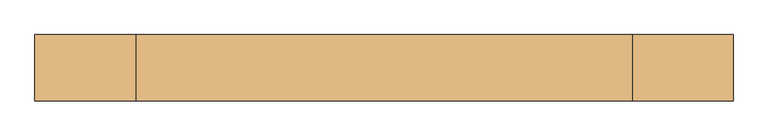
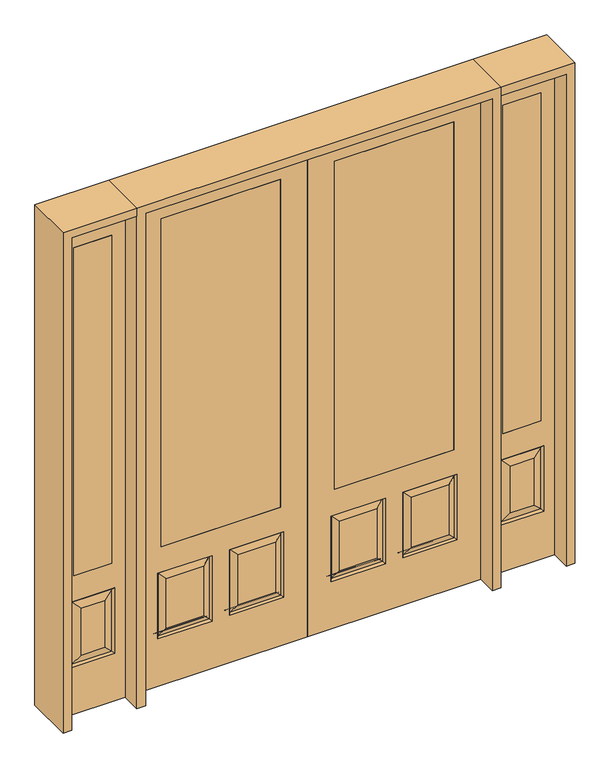
"""IFC4 building model written with IfcOpenShell, lengths in millimetres: door geometry."""

from ifc_helpers import new_model, si_unit, frame, origin, place, context, project, spatial, polyline, outline, extrude, faceted_brep, source, transform, mapped, element, save


def door_9254beb1(model_context):
    return source(origin(), model_context, "Body", "SolidModel", [
        extrude(outline(polyline([(1095.375, 20.6375), (1095.375, -20.6375), (917.575, -20.6375), (917.575, 20.6375), (1095.375, 20.6375)])), frame((0.0, 0.0, 685.8), z_axis=(0.0, 0.0, 1.0), x_axis=(1.0, 0.0, 0.0)), (0.0, 0.0, 1.0), 1625.6),
        faceted_brep([(854.075, -20.6375, 0.0), (1158.875, -20.6375, 0.0), (1158.875, -20.6375, 2438.4), (854.075, -20.6375, 2438.4), (917.575, -20.6375, 685.8), (917.575, -20.6375, 2311.4), (1095.375, -20.6375, 2311.4), (1095.375, -20.6375, 685.8), (904.875, -20.6375, 234.95), (904.875, -20.6375, 558.8), (1108.075, -20.6375, 558.8), (1108.075, -20.6375, 234.95), (1062.0375, -20.6375, 280.9875), (1062.0375, -20.6375, 512.7625), (950.9125, -20.6375, 512.7625), (950.9125, -20.6375, 280.9875), (1095.375, 20.6375, 2311.4), (1095.375, 20.6375, 685.8), (854.075, 20.6375, 0.0), (854.075, 20.6375, 2438.4), (1158.875, 20.6375, 2438.4), (1158.875, 20.6375, 0.0), (1108.075, 20.6375, 234.95), (1108.075, 20.6375, 558.8), (904.875, 20.6375, 558.8), (904.875, 20.6375, 234.95), (917.575, 20.6375, 2311.4), (917.575, 20.6375, 685.8), (950.9125, 20.6375, 280.9875), (950.9125, 20.6375, 512.7625), (1062.0375, 20.6375, 512.7625), (1062.0375, 20.6375, 280.9875), (913.8552561, -11.6572439, 549.8197439), (1099.0947439, -11.6572439, 549.8197439), (1099.0947439, 11.6572439, 243.9302561), (913.8552561, 11.6572439, 243.9302561), (913.8552561, 11.6572439, 549.8197439), (1099.0947439, 11.6572439, 549.8197439), (1099.0947439, -11.6572439, 243.9302561), (913.8552561, -11.6572439, 243.9302561)], [[[0, 1, 2, 3], [4, 5, 6, 7], [8, 9, 10, 11]], [[12, 13, 14, 15]], [[7, 6, 16, 17]], [[18, 19, 20, 21], [22, 23, 24, 25], [17, 16, 26, 27]], [[28, 29, 30, 31]], [[32, 33, 10, 9]], [[21, 1, 0, 18]], [[20, 2, 1, 21]], [[18, 0, 3, 19]], [[34, 22, 25, 35]], [[25, 24, 36, 35]], [[24, 23, 37, 36]], [[34, 37, 23, 22]], [[35, 28, 31, 34]], [[31, 30, 37, 34]], [[36, 37, 30, 29]], [[35, 36, 29, 28]], [[17, 27, 4, 7]], [[27, 26, 5, 4]], [[8, 11, 38, 39]], [[11, 10, 33, 38]], [[39, 32, 9, 8]], [[38, 12, 15, 39]], [[15, 14, 32, 39]], [[14, 13, 33, 32]], [[38, 33, 13, 12]], [[19, 3, 2, 20]], [[6, 5, 26, 16]]]),
        extrude(outline(polyline([(-917.575, 20.6375), (-917.575, -20.6375), (-1095.375, -20.6375), (-1095.375, 20.6375), (-917.575, 20.6375)])), frame((0.0, 0.0, 685.8), z_axis=(0.0, 0.0, 1.0), x_axis=(1.0, 0.0, 0.0)), (0.0, 0.0, 1.0), 1625.6),
        faceted_brep([(-1158.875, -20.6375, 0.0), (-854.075, -20.6375, 0.0), (-854.075, -20.6375, 2438.4), (-1158.875, -20.6375, 2438.4), (-1095.375, -20.6375, 685.8), (-1095.375, -20.6375, 2311.4), (-917.575, -20.6375, 2311.4), (-917.575, -20.6375, 685.8), (-1108.075, -20.6375, 234.95), (-1108.075, -20.6375, 558.8), (-904.875, -20.6375, 558.8), (-904.875, -20.6375, 234.95), (-950.9125, -20.6375, 280.9875), (-950.9125, -20.6375, 512.7625), (-1062.0375, -20.6375, 512.7625), (-1062.0375, -20.6375, 280.9875), (-917.575, 20.6375, 2311.4), (-917.575, 20.6375, 685.8), (-1158.875, 20.6375, 0.0), (-1158.875, 20.6375, 2438.4), (-854.075, 20.6375, 2438.4), (-854.075, 20.6375, 0.0), (-904.875, 20.6375, 234.95), (-904.875, 20.6375, 558.8), (-1108.075, 20.6375, 558.8), (-1108.075, 20.6375, 234.95), (-1095.375, 20.6375, 2311.4), (-1095.375, 20.6375, 685.8), (-1062.0375, 20.6375, 280.9875), (-1062.0375, 20.6375, 512.7625), (-950.9125, 20.6375, 512.7625), (-950.9125, 20.6375, 280.9875), (-1099.0947439, -11.6572439, 549.8197439), (-913.8552561, -11.6572439, 549.8197439), (-913.8552561, 11.6572439, 243.9302561), (-1099.0947439, 11.6572439, 243.9302561), (-1099.0947439, 11.6572439, 549.8197439), (-913.8552561, 11.6572439, 549.8197439), (-913.8552561, -11.6572439, 243.9302561), (-1099.0947439, -11.6572439, 243.9302561)], [[[0, 1, 2, 3], [4, 5, 6, 7], [8, 9, 10, 11]], [[12, 13, 14, 15]], [[7, 6, 16, 17]], [[18, 19, 20, 21], [22, 23, 24, 25], [17, 16, 26, 27]], [[28, 29, 30, 31]], [[32, 33, 10, 9]], [[21, 1, 0, 18]], [[20, 2, 1, 21]], [[18, 0, 3, 19]], [[34, 22, 25, 35]], [[25, 24, 36, 35]], [[24, 23, 37, 36]], [[34, 37, 23, 22]], [[35, 28, 31, 34]], [[31, 30, 37, 34]], [[36, 37, 30, 29]], [[35, 36, 29, 28]], [[17, 27, 4, 7]], [[27, 26, 5, 4]], [[8, 11, 38, 39]], [[11, 10, 33, 38]], [[39, 32, 9, 8]], [[38, 12, 15, 39]], [[15, 14, 32, 39]], [[14, 13, 33, 32]], [[38, 33, 13, 12]], [[19, 3, 2, 20]], [[6, 5, 26, 16]]]),
        faceted_brep([(127.0, -20.6375, 685.8), (127.0, 20.6375, 685.8), (127.0, 20.6375, 2311.4), (127.0, -20.6375, 2311.4), (685.8, -20.6375, 685.8), (685.8, 20.6375, 685.8), (486.5727627, -20.6375, 273.8477627), (662.7772373, -20.6375, 273.8477627), (662.7772373, -20.6375, 520.4102373), (486.5727627, -20.6375, 520.4102373), (150.0227627, -20.6375, 273.8477627), (326.2272373, -20.6375, 273.8477627), (326.2272373, -20.6375, 520.4102373), (150.0227627, -20.6375, 520.4102373), (812.8, -20.6375, 2438.4), (0.0, -20.6375, 2438.4), (0.0, -20.6375, 0.0), (812.8, -20.6375, 0.0), (685.8, -20.6375, 2311.4), (701.675, -20.6375, 234.95), (447.675, -20.6375, 234.95), (447.675, -20.6375, 559.308), (701.675, -20.6375, 559.308), (365.125, -20.6375, 234.95), (111.125, -20.6375, 234.95), (111.125, -20.6375, 559.308), (365.125, -20.6375, 559.308), (685.8, 20.6375, 2311.4), (326.2272373, 20.6375, 273.8477627), (150.0227627, 20.6375, 273.8477627), (150.0227627, 20.6375, 520.4102373), (326.2272373, 20.6375, 520.4102373), (662.7772373, 20.6375, 273.8477627), (486.5727627, 20.6375, 273.8477627), (486.5727627, 20.6375, 520.4102373), (662.7772373, 20.6375, 520.4102373), (0.0, 20.6375, 2438.4), (812.8, 20.6375, 2438.4), (812.8, 20.6375, 0.0), (0.0, 20.6375, 0.0), (111.125, 20.6375, 234.95), (365.125, 20.6375, 234.95), (365.125, 20.6375, 559.308), (111.125, 20.6375, 559.308), (447.675, 20.6375, 234.95), (701.675, 20.6375, 234.95), (701.675, 20.6375, 559.308), (447.675, 20.6375, 559.308), (694.2714647, -11.4399763, 242.3535353), (455.0785353, -11.4399763, 242.3535353), (455.0785353, -11.4399763, 551.9044647), (694.2714647, -11.4399763, 551.9044647), (357.7214647, -11.4399763, 242.3535353), (118.5285353, -11.4399763, 242.3535353), (118.5285353, -11.4399763, 551.9044647), (357.7214647, -11.4399763, 551.9044647), (118.5285353, 11.4399763, 242.3535353), (357.7214647, 11.4399763, 242.3535353), (357.7214647, 11.4399763, 551.9044647), (118.5285353, 11.4399763, 551.9044647), (455.0785353, 11.4399763, 242.3535353), (694.2714647, 11.4399763, 242.3535353), (694.2714647, 11.4399763, 551.9044647), (455.0785353, 11.4399763, 551.9044647)], [[[0, 1, 2, 3]], [[1, 0, 4, 5]], [[6, 7, 8, 9]], [[10, 11, 12, 13]], [[14, 15, 16, 17], [4, 0, 3, 18], [19, 20, 21, 22], [23, 24, 25, 26]], [[5, 4, 18, 27]], [[28, 29, 30, 31]], [[32, 33, 34, 35]], [[36, 37, 38, 39], [1, 5, 27, 2], [40, 41, 42, 43], [44, 45, 46, 47]], [[39, 38, 17, 16]], [[37, 14, 17, 38]], [[15, 36, 39, 16]], [[19, 48, 49, 20]], [[20, 49, 50, 21]], [[51, 22, 21, 50]], [[48, 19, 22, 51]], [[49, 48, 7, 6]], [[7, 48, 51, 8]], [[8, 51, 50, 9]], [[49, 6, 9, 50]], [[52, 53, 24, 23]], [[24, 53, 54, 25]], [[25, 54, 55, 26]], [[52, 23, 26, 55]], [[53, 52, 11, 10]], [[11, 52, 55, 12]], [[54, 13, 12, 55]], [[53, 10, 13, 54]], [[40, 56, 57, 41]], [[41, 57, 58, 42]], [[59, 43, 42, 58]], [[56, 40, 43, 59]], [[57, 56, 29, 28]], [[29, 56, 59, 30]], [[30, 59, 58, 31]], [[57, 28, 31, 58]], [[60, 61, 45, 44]], [[45, 61, 62, 46]], [[46, 62, 63, 47]], [[60, 44, 47, 63]], [[61, 60, 33, 32]], [[33, 60, 63, 34]], [[62, 35, 34, 63]], [[61, 32, 35, 62]], [[3, 2, 27, 18]], [[36, 15, 14, 37]]]),
        extrude(outline(polyline([(127.0, 20.6375), (685.8, 20.6375), (685.8, -20.6375), (127.0, -20.6375), (127.0, 20.6375)])), frame((0.0, 0.0, 685.8), z_axis=(0.0, 0.0, 1.0), x_axis=(1.0, 0.0, 0.0)), (0.0, 0.0, 1.0), 1625.6),
        faceted_brep([(-127.0, -20.6375, 685.8), (-127.0, -20.6375, 2311.4), (-127.0, 20.6375, 2311.4), (-127.0, 20.6375, 685.8), (-685.8, 20.6375, 685.8), (-685.8, -20.6375, 685.8), (-486.5727627, -20.6375, 273.8477627), (-486.5727627, -20.6375, 520.4102373), (-662.7772373, -20.6375, 520.4102373), (-662.7772373, -20.6375, 273.8477627), (-150.0227627, -20.6375, 273.8477627), (-150.0227627, -20.6375, 520.4102373), (-326.2272373, -20.6375, 520.4102373), (-326.2272373, -20.6375, 273.8477627), (-812.8, -20.6375, 2438.4), (-812.8, -20.6375, 0.0), (0.0, -20.6375, 0.0), (0.0, -20.6375, 2438.4), (-685.8, -20.6375, 2311.4), (-701.675, -20.6375, 234.95), (-701.675, -20.6375, 559.308), (-447.675, -20.6375, 559.308), (-447.675, -20.6375, 234.95), (-365.125, -20.6375, 234.95), (-365.125, -20.6375, 559.308), (-111.125, -20.6375, 559.308), (-111.125, -20.6375, 234.95), (-685.8, 20.6375, 2311.4), (-326.2272373, 20.6375, 273.8477627), (-326.2272373, 20.6375, 520.4102373), (-150.0227627, 20.6375, 520.4102373), (-150.0227627, 20.6375, 273.8477627), (-662.7772373, 20.6375, 273.8477627), (-662.7772373, 20.6375, 520.4102373), (-486.5727627, 20.6375, 520.4102373), (-486.5727627, 20.6375, 273.8477627), (0.0, 20.6375, 2438.4), (0.0, 20.6375, 0.0), (-812.8, 20.6375, 0.0), (-812.8, 20.6375, 2438.4), (-111.125, 20.6375, 234.95), (-111.125, 20.6375, 559.308), (-365.125, 20.6375, 559.308), (-365.125, 20.6375, 234.95), (-447.675, 20.6375, 234.95), (-447.675, 20.6375, 559.308), (-701.675, 20.6375, 559.308), (-701.675, 20.6375, 234.95), (-455.0785353, -11.4399763, 242.3535353), (-694.2714647, -11.4399763, 242.3535353), (-455.0785353, -11.4399763, 551.9044647), (-694.2714647, -11.4399763, 551.9044647), (-357.7214647, -11.4399763, 242.3535353), (-118.5285353, -11.4399763, 242.3535353), (-118.5285353, -11.4399763, 551.9044647), (-357.7214647, -11.4399763, 551.9044647), (-357.7214647, 11.4399763, 242.3535353), (-118.5285353, 11.4399763, 242.3535353), (-357.7214647, 11.4399763, 551.9044647), (-118.5285353, 11.4399763, 551.9044647), (-455.0785353, 11.4399763, 242.3535353), (-694.2714647, 11.4399763, 242.3535353), (-694.2714647, 11.4399763, 551.9044647), (-455.0785353, 11.4399763, 551.9044647)], [[[0, 1, 2, 3]], [[3, 4, 5, 0]], [[6, 7, 8, 9]], [[10, 11, 12, 13]], [[14, 15, 16, 17], [5, 18, 1, 0], [19, 20, 21, 22], [23, 24, 25, 26]], [[4, 27, 18, 5]], [[28, 29, 30, 31]], [[32, 33, 34, 35]], [[36, 37, 38, 39], [3, 2, 27, 4], [40, 41, 42, 43], [44, 45, 46, 47]], [[37, 16, 15, 38]], [[39, 38, 15, 14]], [[17, 16, 37, 36]], [[19, 22, 48, 49]], [[22, 21, 50, 48]], [[51, 50, 21, 20]], [[49, 51, 20, 19]], [[48, 6, 9, 49]], [[9, 8, 51, 49]], [[8, 7, 50, 51]], [[48, 50, 7, 6]], [[52, 23, 26, 53]], [[26, 25, 54, 53]], [[25, 24, 55, 54]], [[52, 55, 24, 23]], [[53, 10, 13, 52]], [[13, 12, 55, 52]], [[54, 55, 12, 11]], [[53, 54, 11, 10]], [[40, 43, 56, 57]], [[43, 42, 58, 56]], [[59, 58, 42, 41]], [[57, 59, 41, 40]], [[56, 28, 31, 57]], [[31, 30, 59, 57]], [[30, 29, 58, 59]], [[56, 58, 29, 28]], [[60, 44, 47, 61]], [[47, 46, 62, 61]], [[46, 45, 63, 62]], [[60, 63, 45, 44]], [[61, 32, 35, 60]], [[35, 34, 63, 60]], [[62, 63, 34, 33]], [[61, 62, 33, 32]], [[1, 18, 27, 2]], [[36, 39, 14, 17]]]),
        extrude(outline(polyline([(-127.0, 20.6375), (-127.0, -20.6375), (-685.8, -20.6375), (-685.8, 20.6375), (-127.0, 20.6375)])), frame((0.0, 0.0, 685.8), z_axis=(0.0, 0.0, 1.0), x_axis=(1.0, 0.0, 0.0)), (0.0, 0.0, 1.0), 1625.6),
        extrude(outline(polyline([(2479.675, -854.075), (2479.675, -1200.15), (0.0, -1200.15), (0.0, -1158.875), (2438.4, -1158.875), (2438.4, -854.075), (2479.675, -854.075)])), frame((0.0, -114.3, 0.0), z_axis=(0.0, 1.0, 0.0), x_axis=(0.0, 0.0, 1.0)), (0.0, 0.0, 1.0), 228.6),
        extrude(outline(polyline([(2479.675, -854.075), (0.0, -854.075), (0.0, -812.8), (2438.4, -812.8), (2438.4, 812.8), (0.0, 812.8), (0.0, 854.075), (2479.675, 854.075), (2479.675, -854.075)])), frame((0.0, -114.3, 0.0), z_axis=(0.0, 1.0, 0.0), x_axis=(0.0, 0.0, 1.0)), (0.0, 0.0, 1.0), 228.6),
        extrude(outline(polyline([(0.0, 1200.15), (2479.675, 1200.15), (2479.675, 854.075), (2438.4, 854.075), (2438.4, 1158.875), (0.0, 1158.875), (0.0, 1200.15)])), frame((0.0, -114.3, 0.0), z_axis=(0.0, 1.0, 0.0), x_axis=(0.0, 0.0, 1.0)), (0.0, 0.0, 1.0), 228.6),
    ])


if __name__ == "__main__":
    model = new_model("IFC4")
    model_context = context("Model", 3, world=origin())
    ifc_project = project(units=[si_unit("LENGTHUNIT", "METRE", prefix="MILLI")], contexts=[model_context])
    site = spatial("IfcSite", under=ifc_project)
    building = spatial("IfcBuilding", under=site)
    placement = place(None, origin())
    door_shape = door_9254beb1(model_context)
    element("IfcDoor", 1, at=placement, inside=building, context=model_context, shape_type="MappedRepresentation", body=[
        mapped(door_shape, transform((0.0, 0.0, 0.0), x_axis=(1.0, 0.0, 0.0), y_axis=(0.0, 1.0, 0.0), z_axis=(0.0, 0.0, 1.0))),
    ])
    save(model, "model.ifc")
